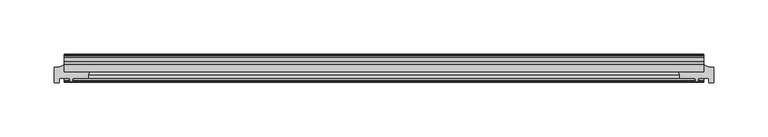
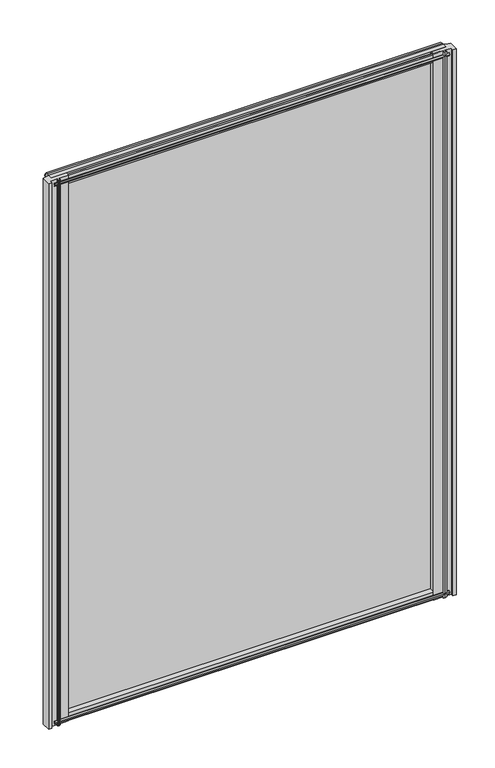
"""IFC4 building model written with IfcOpenShell, lengths in millimetres: plate geometry."""

import ifcopenshell
import ifcopenshell.guid

model = None  # the IFC model being written
_history = None  # IfcOwnerHistory: only IFC2X3 demands one
_inside = {}  # id of a spatial element -> (the spatial element, [elements in it])
_under = {}  # id of a project, library or spatial element -> (it, [spatial elements below it])
_declared = {}  # id of a project -> (the project, [libraries it declares])
_typed = {}  # id of a type object -> (the type object, [elements of that type])
_made_of = {}  # id of a material, layer set ... -> (it, [elements and type objects made of it])


def new_model(schema):
    """Start an empty IFC model of exactly this schema.

    Asked for "IFC4X3", IfcOpenShell would pick the latest addendum, in which some entities
    have other attributes; the version numbers below select the first issue.
    IFC2X3 requires an IfcOwnerHistory on every rooted entity: one is made here for all.
    """
    global model, _history
    if schema == "IFC4X3":
        model = ifcopenshell.file(schema_version=(4, 3, 0, 0))
    else:
        model = ifcopenshell.file(schema=schema)
    _inside.clear()
    _under.clear()
    _declared.clear()
    _typed.clear()
    _made_of.clear()
    _history = None
    if model.schema == "IFC2X3":
        org = make("IfcOrganization", Name="unknown")
        user = make(
            "IfcPersonAndOrganization",
            ThePerson=make("IfcPerson", FamilyName="unknown"),
            TheOrganization=org,
        )
        app = make(
            "IfcApplication",
            ApplicationDeveloper=org,
            Version="unknown",
            ApplicationFullName="unknown",
            ApplicationIdentifier="unknown",
        )
        _history = make(
            "IfcOwnerHistory",
            OwningUser=user,
            OwningApplication=app,
            ChangeAction="ADDED",
            CreationDate=0,
        )
    return model


def make(cls, **values):
    """One entity of the class cls with the attributes given. An attribute that is None is left unset."""
    return model.create_entity(
        cls, **{name: value for name, value in values.items() if value is not None}
    )


def rooted(cls, **values):
    """An entity with a GlobalId (a new one), such as an element, a storey or a relation."""
    return make(cls, GlobalId=ifcopenshell.guid.new(), OwnerHistory=_history, **values)


def si_unit(unit_type, name, prefix=None):
    """IfcSIUnit, for example si_unit("LENGTHUNIT", "METRE", prefix="MILLI")."""
    return make("IfcSIUnit", UnitType=unit_type, Prefix=prefix, Name=name)


def assignment(units):
    """IfcUnitAssignment: the units of a project."""
    return None if units is None else make("IfcUnitAssignment", Units=units)


def point(xyz):
    """IfcCartesianPoint."""
    return None if xyz is None else make("IfcCartesianPoint", Coordinates=xyz)


def direction(xyz):
    """IfcDirection."""
    return None if xyz is None else make("IfcDirection", DirectionRatios=xyz)


def frame(location, z_axis=None, x_axis=None):
    """IfcAxis2Placement3D, a coordinate frame: its origin and axes. An axis left out is left unset."""
    return make(
        "IfcAxis2Placement3D",
        Location=point(location),
        Axis=direction(z_axis),
        RefDirection=direction(x_axis),
    )


def frame_2d(location, x_axis=None):
    """IfcAxis2Placement2D, a coordinate frame in the plane: its origin and x axis."""
    return make(
        "IfcAxis2Placement2D", Location=point(location), RefDirection=direction(x_axis)
    )


def origin():
    """The frame at (0, 0, 0) with its axes left unset."""
    return frame((0.0, 0.0, 0.0))


def place(relative_to, where):
    """IfcLocalPlacement: puts the frame where relative to a parent placement (None: the world)."""
    return make(
        "IfcLocalPlacement", PlacementRelTo=relative_to, RelativePlacement=where
    )


def context(
    kind, dimensions, precision=None, world=None, true_north=None, identifier=None
):
    """IfcGeometricRepresentationContext, for example the 3D "Model" context."""
    return make(
        "IfcGeometricRepresentationContext",
        ContextIdentifier=identifier,
        ContextType=kind,
        CoordinateSpaceDimension=dimensions,
        Precision=precision,
        WorldCoordinateSystem=world,
        TrueNorth=true_north,
    )


def project(units=None, contexts=None):
    """IfcProject with its units and contexts."""
    return rooted(
        "IfcProject",
        Name="project",
        RepresentationContexts=contexts,
        UnitsInContext=assignment(units),
    )


def spatial(cls, under=None, at=None, **own):
    """A site, building, storey or space (cls), placed at a placement, below another one or the project."""
    s = rooted(cls, ObjectPlacement=at, **own)
    if under is not None:
        _under.setdefault(under.id(), (under, []))[1].append(s)
    return s


def polyline(points):
    """IfcPolyline through the points."""
    return make("IfcPolyline", Points=[point(p) for p in points])


def circle_curve(where, radius):
    """IfcCircle in the frame where."""
    return make("IfcCircle", Position=where, Radius=radius)


def trimmed(basis, trim1, trim2, sense, master):
    """IfcTrimmedCurve: the piece of a basis curve between two trims."""
    return make(
        "IfcTrimmedCurve",
        BasisCurve=basis,
        Trim1=trim1,
        Trim2=trim2,
        SenseAgreement=sense,
        MasterRepresentation=master,
    )


def segment(curve, same_sense, transition):
    """IfcCompositeCurveSegment."""
    return make(
        "IfcCompositeCurveSegment",
        Transition=transition,
        SameSense=same_sense,
        ParentCurve=curve,
    )


def composite_curve(segments, self_intersect=None):
    """IfcCompositeCurve: segments joined end to end."""
    return make("IfcCompositeCurve", Segments=segments, SelfIntersect=self_intersect)


def outline(outer, holes=None, kind="AREA"):
    """IfcArbitraryClosedProfileDef: a profile drawn as a closed curve; with holes, ...WithVoids."""
    if holes is None:
        return make("IfcArbitraryClosedProfileDef", ProfileType=kind, OuterCurve=outer)
    return make(
        "IfcArbitraryProfileDefWithVoids",
        ProfileType=kind,
        OuterCurve=outer,
        InnerCurves=holes,
    )


def extrude(swept, where, along, depth):
    """IfcExtrudedAreaSolid: the profile swept, set in the frame where, extruded along a direction by depth."""
    return make(
        "IfcExtrudedAreaSolid",
        SweptArea=swept,
        Position=where,
        ExtrudedDirection=direction(along),
        Depth=depth,
    )


def shape(context_of_items, identifier, shape_type, items):
    """IfcShapeRepresentation: the items that make up one representation, for example the "Body"."""
    return make(
        "IfcShapeRepresentation",
        ContextOfItems=context_of_items,
        RepresentationIdentifier=identifier,
        RepresentationType=shape_type,
        Items=items,
    )


def source(mapping_origin, context_of_items, identifier, shape_type, items):
    """IfcRepresentationMap: a shape defined once, which mapped items show again and again."""
    return make(
        "IfcRepresentationMap",
        MappingOrigin=mapping_origin,
        MappedRepresentation=shape(context_of_items, identifier, shape_type, items),
    )


def transform(
    local_origin,
    x_axis=None,
    y_axis=None,
    z_axis=None,
    scale=None,
    scale2=None,
    scale3=None,
    uniform=True,
):
    """IfcCartesianTransformationOperator3D, or its non-uniform kind. x_axis, y_axis, z_axis: its Axis1, 2, 3."""
    if uniform:
        return make(
            "IfcCartesianTransformationOperator3D",
            Axis1=direction(x_axis),
            Axis2=direction(y_axis),
            LocalOrigin=point(local_origin),
            Scale=scale,
            Axis3=direction(z_axis),
        )
    return make(
        "IfcCartesianTransformationOperator3DnonUniform",
        Axis1=direction(x_axis),
        Axis2=direction(y_axis),
        LocalOrigin=point(local_origin),
        Scale=scale,
        Axis3=direction(z_axis),
        Scale2=scale2,
        Scale3=scale3,
    )


def mapped(mapping_source, mapping_target):
    """IfcMappedItem: shows the shape of a source again, moved by a transform."""
    return make(
        "IfcMappedItem", MappingSource=mapping_source, MappingTarget=mapping_target
    )


def made_of(thing, what):
    """Note that an element or type object is made of a material, layer set ...; save() writes the relation."""
    if what is not None:
        _made_of.setdefault(what.id(), (what, []))[1].append(thing)
    return thing


def element(
    cls,
    number,
    at=None,
    inside=None,
    cuts=None,
    type_object=None,
    material=None,
    context=None,
    identifier="Body",
    shape_type=None,
    held_by="IfcProductDefinitionShape",
    body=None,
    shapes=None,
    **own,
):
    """One element of the class cls, such as IfcWall. Its Tag is "e" and its number.

    at: its placement. inside: the storey or other place that contains it. cuts: it is an
    opening in that element (IfcRelVoidsElement). A single representation is given by context,
    identifier, shape_type and body (its items); several are given by shapes. held_by: the class
    of the entity that holds the representations. save() writes the other relations.
    """
    e = rooted(cls, Tag="e%d" % number, ObjectPlacement=at, **own)
    if body is not None:
        shapes = [shape(context, identifier, shape_type, body)]
    if shapes is not None:
        e.Representation = make(held_by, Representations=shapes)
    if inside is not None:
        _inside.setdefault(inside.id(), (inside, []))[1].append(e)
    if cuts is not None:
        rooted(
            "IfcRelVoidsElement", RelatingBuildingElement=cuts, RelatedOpeningElement=e
        )
    if type_object is not None:
        _typed.setdefault(type_object.id(), (type_object, []))[1].append(e)
    return made_of(e, material)


def aggregate(whole, parts):
    """IfcRelAggregates: a whole, such as a stair, and the parts it consists of."""
    return rooted("IfcRelAggregates", RelatingObject=whole, RelatedObjects=parts)


def save(model, path):
    """Write the relations noted so far, then the file.

    IfcRelAggregates (storeys below a building ...), IfcRelContainedInSpatialStructure (elements
    in a storey), IfcRelDefinesByType, IfcRelAssociatesMaterial and IfcRelDeclares: one each for
    every whole, place, type object, material and project.
    """
    for whole, parts in _under.values():
        aggregate(whole, parts)
    for where, things in _inside.values():
        rooted(
            "IfcRelContainedInSpatialStructure",
            RelatedElements=things,
            RelatingStructure=where,
        )
    for kind, things in _typed.values():
        rooted("IfcRelDefinesByType", RelatedObjects=things, RelatingType=kind)
    for what, things in _made_of.values():
        rooted("IfcRelAssociatesMaterial", RelatedObjects=things, RelatingMaterial=what)
    for by, libraries in _declared.values():
        rooted("IfcRelDeclares", RelatingContext=by, RelatedDefinitions=libraries)
    model.write(path)


def plate_9abeefec(model_context):
    return source(origin(), model_context, "Body", "SweptSolid", [
        extrude(outline(polyline([(-295.275, -19.5460937), (295.275, -19.5460937), (295.275, -25.8960937), (-295.275, -25.8960937), (-295.275, -19.5460937)])), frame((0.0, 0.0, -12.7), z_axis=(0.0, 0.0, 1.0), x_axis=(1.0, 0.0, 0.0)), (0.0, 0.0, 1.0), 863.6),
        extrude(outline(composite_curve([segment(polyline([(304.8, -22.0782211), (304.8, -36.1501817), (300.0248, -36.1501817), (300.0248, -32.2460937), (290.1992854, -32.2460937), (289.8817854, -34.3506957), (291.1003913, -34.0241712), (291.3041854, -34.7847412), (288.9292854, -35.4210937), (286.5543854, -34.7847412), (286.7581795, -34.0241712), (287.9767854, -34.3506957), (287.6592854, -32.2460937), (273.0508541, -32.2460937)]), True, "CONTINUOUS"), segment(trimmed(circle_curve(frame_2d((264.2454241, -30.493422)), 8.9781654), [point((273.0508541, -32.2460937))], [point((271.9572351, -25.8960937))], True, "CARTESIAN"), True, "CONTINUOUS"), segment(polyline([(271.9572351, -25.8960937), (295.2792854, -25.8960937), (295.2792854, -19.5460937)]), True, "CONTINUOUS"), segment(trimmed(circle_curve(frame_2d((304.8, -2.913372)), 19.164849), [point((295.2792854, -19.5460937))], [point((304.8, -22.0782211))], True, "CARTESIAN"), True, "CONTINUOUS")], self_intersect=False)), frame((0.0, 0.0, -12.7), z_axis=(0.0, 0.0, 1.0), x_axis=(1.0, 0.0, 0.0)), (0.0, 0.0, 1.0), 863.6),
        extrude(outline(composite_curve([segment(trimmed(circle_curve(frame_2d((-304.8, -2.913372)), 19.164849), [point((-304.8, -22.0782211))], [point((-295.2792854, -19.5460937))], True, "CARTESIAN"), True, "CONTINUOUS"), segment(polyline([(-295.2792854, -19.5460937), (-295.2792854, -25.8960937), (-271.9572351, -25.8960937)]), True, "CONTINUOUS"), segment(trimmed(circle_curve(frame_2d((-264.2454241, -30.493422)), 8.9781654), [point((-271.9572351, -25.8960937))], [point((-273.0508541, -32.2460937))], True, "CARTESIAN"), True, "CONTINUOUS"), segment(polyline([(-273.0508541, -32.2460937), (-287.6592854, -32.2460937), (-287.9767854, -34.3506957), (-286.7581795, -34.0241712), (-286.5543854, -34.7847412), (-288.9292854, -35.4210937), (-291.3041854, -34.7847412), (-291.1003913, -34.0241712), (-289.8817854, -34.3506957), (-290.1992854, -32.2460937), (-300.0248, -32.2460937), (-300.0248, -36.1501817), (-304.8, -36.1501817), (-304.8, -22.0782211)]), True, "CONTINUOUS")], self_intersect=False)), frame((0.0, 0.0, -12.7), z_axis=(0.0, 0.0, 1.0), x_axis=(1.0, 0.0, 0.0)), (0.0, 0.0, 1.0), 863.6),
        extrude(outline(polyline([(-13.1960937, 850.6587), (-13.1960937, 846.2137), (-10.8158968, 845.8327), (-11.27583, 847.248229), (-10.4746158, 847.248229), (-9.7670937, 845.0707), (-10.4746158, 842.8931709), (-11.27583, 842.8931709), (-10.8158968, 844.3087), (-13.1960937, 843.9277), (-13.1960937, 838.7207), (-19.5460937, 836.6154229), (-19.5460937, 848.4460038), (-16.1424937, 850.6587), (-13.1960937, 850.6587)])), frame((-295.275, 0.0, 0.0), z_axis=(1.0, 0.0, 0.0), x_axis=(0.0, 1.0, 0.0)), (0.0, 0.0, 1.0), 590.55),
        extrude(outline(polyline([(-29.2996937, 850.138), (-25.8960937, 847.9253038), (-25.8960937, 836.0947229), (-32.2460937, 838.2), (-32.2460937, 843.407), (-34.6262907, 843.788), (-34.1663575, 842.3724709), (-34.9675717, 842.3724709), (-35.6750937, 844.55), (-34.9675717, 846.7275291), (-34.1663575, 846.7275291), (-34.6262907, 845.312), (-32.2460937, 845.693), (-32.2460937, 850.138), (-29.2996937, 850.138)])), frame((-295.275, 0.0, 0.0), z_axis=(1.0, 0.0, 0.0), x_axis=(0.0, 1.0, 0.0)), (0.0, 0.0, 1.0), 590.55),
        extrude(outline(polyline([(-25.8960937, 2.1052771), (-25.8960937, -9.7253038), (-29.2996937, -11.938), (-32.2460937, -11.938), (-32.2460937, -7.493), (-34.6262907, -7.112), (-34.1663575, -8.5275291), (-34.9675717, -8.5275291), (-35.6750937, -6.35), (-34.9675717, -4.1724709), (-34.1663575, -4.1724709), (-34.6262907, -5.588), (-32.2460937, -5.207), (-32.2460937, 0.0), (-25.8960937, 2.1052771)])), frame((-295.275, 0.0, 0.0), z_axis=(1.0, 0.0, 0.0), x_axis=(0.0, 1.0, 0.0)), (0.0, 0.0, 1.0), 590.55),
        extrude(outline(polyline([(-19.5460937, 1.5845771), (-13.1960937, -0.5207), (-13.1960937, -5.7277), (-10.8158968, -6.1087), (-11.27583, -4.6931709), (-10.4746158, -4.6931709), (-9.7670937, -6.8707), (-10.4746158, -9.048229), (-11.27583, -9.048229), (-10.8158968, -7.6327), (-13.1960937, -8.0137), (-13.1960937, -12.4587), (-16.1424937, -12.4587), (-19.5460937, -10.2460038), (-19.5460937, 1.5845771)])), frame((-295.275, 0.0, 0.0), z_axis=(1.0, 0.0, 0.0), x_axis=(0.0, 1.0, 0.0)), (0.0, 0.0, 1.0), 590.55),
    ])


if __name__ == "__main__":
    model = new_model("IFC4")
    model_context = context("Model", 3, world=origin())
    ifc_project = project(units=[si_unit("LENGTHUNIT", "METRE", prefix="MILLI")], contexts=[model_context])
    site = spatial("IfcSite", under=ifc_project)
    building = spatial("IfcBuilding", under=site)
    placement = place(None, origin())
    plate_shape = plate_9abeefec(model_context)
    element("IfcPlate", 1, at=placement, inside=building, context=model_context, shape_type="MappedRepresentation", body=[
        mapped(plate_shape, transform((0.0, 0.0, 0.0), x_axis=(1.0, 0.0, 0.0), y_axis=(0.0, 1.0, 0.0), z_axis=(0.0, 0.0, 1.0))),
    ])
    save(model, "model.ifc")
